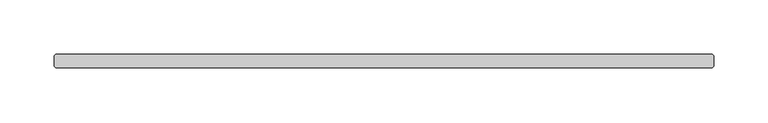
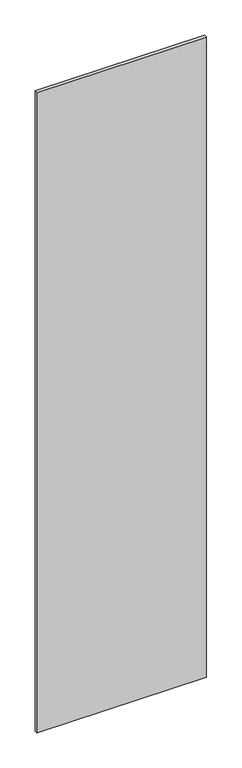
"""IFC4 building model written with IfcOpenShell, lengths in millimetres: plate geometry."""

import ifcopenshell
import ifcopenshell.guid

model = None  # the IFC model being written
_history = None  # IfcOwnerHistory: only IFC2X3 demands one
_inside = {}  # id of a spatial element -> (the spatial element, [elements in it])
_under = {}  # id of a project, library or spatial element -> (it, [spatial elements below it])
_declared = {}  # id of a project -> (the project, [libraries it declares])
_typed = {}  # id of a type object -> (the type object, [elements of that type])
_made_of = {}  # id of a material, layer set ... -> (it, [elements and type objects made of it])


def new_model(schema):
    """Start an empty IFC model of exactly this schema.

    Asked for "IFC4X3", IfcOpenShell would pick the latest addendum, in which some entities
    have other attributes; the version numbers below select the first issue.
    IFC2X3 requires an IfcOwnerHistory on every rooted entity: one is made here for all.
    """
    global model, _history
    if schema == "IFC4X3":
        model = ifcopenshell.file(schema_version=(4, 3, 0, 0))
    else:
        model = ifcopenshell.file(schema=schema)
    _inside.clear()
    _under.clear()
    _declared.clear()
    _typed.clear()
    _made_of.clear()
    _history = None
    if model.schema == "IFC2X3":
        org = make("IfcOrganization", Name="unknown")
        user = make(
            "IfcPersonAndOrganization",
            ThePerson=make("IfcPerson", FamilyName="unknown"),
            TheOrganization=org,
        )
        app = make(
            "IfcApplication",
            ApplicationDeveloper=org,
            Version="unknown",
            ApplicationFullName="unknown",
            ApplicationIdentifier="unknown",
        )
        _history = make(
            "IfcOwnerHistory",
            OwningUser=user,
            OwningApplication=app,
            ChangeAction="ADDED",
            CreationDate=0,
        )
    return model


def make(cls, **values):
    """One entity of the class cls with the attributes given. An attribute that is None is left unset."""
    return model.create_entity(
        cls, **{name: value for name, value in values.items() if value is not None}
    )


def rooted(cls, **values):
    """An entity with a GlobalId (a new one), such as an element, a storey or a relation."""
    return make(cls, GlobalId=ifcopenshell.guid.new(), OwnerHistory=_history, **values)


def si_unit(unit_type, name, prefix=None):
    """IfcSIUnit, for example si_unit("LENGTHUNIT", "METRE", prefix="MILLI")."""
    return make("IfcSIUnit", UnitType=unit_type, Prefix=prefix, Name=name)


def assignment(units):
    """IfcUnitAssignment: the units of a project."""
    return None if units is None else make("IfcUnitAssignment", Units=units)


def point(xyz):
    """IfcCartesianPoint."""
    return None if xyz is None else make("IfcCartesianPoint", Coordinates=xyz)


def direction(xyz):
    """IfcDirection."""
    return None if xyz is None else make("IfcDirection", DirectionRatios=xyz)


def frame(location, z_axis=None, x_axis=None):
    """IfcAxis2Placement3D, a coordinate frame: its origin and axes. An axis left out is left unset."""
    return make(
        "IfcAxis2Placement3D",
        Location=point(location),
        Axis=direction(z_axis),
        RefDirection=direction(x_axis),
    )


def origin():
    """The frame at (0, 0, 0) with its axes left unset."""
    return frame((0.0, 0.0, 0.0))


def origin_with_axes():
    """The frame at (0, 0, 0) with the z axis (0, 0, 1) and the x axis (1, 0, 0) written out."""
    return frame((0.0, 0.0, 0.0), z_axis=(0.0, 0.0, 1.0), x_axis=(1.0, 0.0, 0.0))


def place(relative_to, where):
    """IfcLocalPlacement: puts the frame where relative to a parent placement (None: the world)."""
    return make(
        "IfcLocalPlacement", PlacementRelTo=relative_to, RelativePlacement=where
    )


def context(
    kind, dimensions, precision=None, world=None, true_north=None, identifier=None
):
    """IfcGeometricRepresentationContext, for example the 3D "Model" context."""
    return make(
        "IfcGeometricRepresentationContext",
        ContextIdentifier=identifier,
        ContextType=kind,
        CoordinateSpaceDimension=dimensions,
        Precision=precision,
        WorldCoordinateSystem=world,
        TrueNorth=true_north,
    )


def project(units=None, contexts=None):
    """IfcProject with its units and contexts."""
    return rooted(
        "IfcProject",
        Name="project",
        RepresentationContexts=contexts,
        UnitsInContext=assignment(units),
    )


def spatial(cls, under=None, at=None, **own):
    """A site, building, storey or space (cls), placed at a placement, below another one or the project."""
    s = rooted(cls, ObjectPlacement=at, **own)
    if under is not None:
        _under.setdefault(under.id(), (under, []))[1].append(s)
    return s


def polyline(points):
    """IfcPolyline through the points."""
    return make("IfcPolyline", Points=[point(p) for p in points])


def outline(outer, holes=None, kind="AREA"):
    """IfcArbitraryClosedProfileDef: a profile drawn as a closed curve; with holes, ...WithVoids."""
    if holes is None:
        return make("IfcArbitraryClosedProfileDef", ProfileType=kind, OuterCurve=outer)
    return make(
        "IfcArbitraryProfileDefWithVoids",
        ProfileType=kind,
        OuterCurve=outer,
        InnerCurves=holes,
    )


def extrude(swept, where, along, depth):
    """IfcExtrudedAreaSolid: the profile swept, set in the frame where, extruded along a direction by depth."""
    return make(
        "IfcExtrudedAreaSolid",
        SweptArea=swept,
        Position=where,
        ExtrudedDirection=direction(along),
        Depth=depth,
    )


def shape(context_of_items, identifier, shape_type, items):
    """IfcShapeRepresentation: the items that make up one representation, for example the "Body"."""
    return make(
        "IfcShapeRepresentation",
        ContextOfItems=context_of_items,
        RepresentationIdentifier=identifier,
        RepresentationType=shape_type,
        Items=items,
    )


def source(mapping_origin, context_of_items, identifier, shape_type, items):
    """IfcRepresentationMap: a shape defined once, which mapped items show again and again."""
    return make(
        "IfcRepresentationMap",
        MappingOrigin=mapping_origin,
        MappedRepresentation=shape(context_of_items, identifier, shape_type, items),
    )


def transform(
    local_origin,
    x_axis=None,
    y_axis=None,
    z_axis=None,
    scale=None,
    scale2=None,
    scale3=None,
    uniform=True,
):
    """IfcCartesianTransformationOperator3D, or its non-uniform kind. x_axis, y_axis, z_axis: its Axis1, 2, 3."""
    if uniform:
        return make(
            "IfcCartesianTransformationOperator3D",
            Axis1=direction(x_axis),
            Axis2=direction(y_axis),
            LocalOrigin=point(local_origin),
            Scale=scale,
            Axis3=direction(z_axis),
        )
    return make(
        "IfcCartesianTransformationOperator3DnonUniform",
        Axis1=direction(x_axis),
        Axis2=direction(y_axis),
        LocalOrigin=point(local_origin),
        Scale=scale,
        Axis3=direction(z_axis),
        Scale2=scale2,
        Scale3=scale3,
    )


def mapped(mapping_source, mapping_target):
    """IfcMappedItem: shows the shape of a source again, moved by a transform."""
    return make(
        "IfcMappedItem", MappingSource=mapping_source, MappingTarget=mapping_target
    )


def made_of(thing, what):
    """Note that an element or type object is made of a material, layer set ...; save() writes the relation."""
    if what is not None:
        _made_of.setdefault(what.id(), (what, []))[1].append(thing)
    return thing


def element(
    cls,
    number,
    at=None,
    inside=None,
    cuts=None,
    type_object=None,
    material=None,
    context=None,
    identifier="Body",
    shape_type=None,
    held_by="IfcProductDefinitionShape",
    body=None,
    shapes=None,
    **own,
):
    """One element of the class cls, such as IfcWall. Its Tag is "e" and its number.

    at: its placement. inside: the storey or other place that contains it. cuts: it is an
    opening in that element (IfcRelVoidsElement). A single representation is given by context,
    identifier, shape_type and body (its items); several are given by shapes. held_by: the class
    of the entity that holds the representations. save() writes the other relations.
    """
    e = rooted(cls, Tag="e%d" % number, ObjectPlacement=at, **own)
    if body is not None:
        shapes = [shape(context, identifier, shape_type, body)]
    if shapes is not None:
        e.Representation = make(held_by, Representations=shapes)
    if inside is not None:
        _inside.setdefault(inside.id(), (inside, []))[1].append(e)
    if cuts is not None:
        rooted(
            "IfcRelVoidsElement", RelatingBuildingElement=cuts, RelatedOpeningElement=e
        )
    if type_object is not None:
        _typed.setdefault(type_object.id(), (type_object, []))[1].append(e)
    return made_of(e, material)


def aggregate(whole, parts):
    """IfcRelAggregates: a whole, such as a stair, and the parts it consists of."""
    return rooted("IfcRelAggregates", RelatingObject=whole, RelatedObjects=parts)


def save(model, path):
    """Write the relations noted so far, then the file.

    IfcRelAggregates (storeys below a building ...), IfcRelContainedInSpatialStructure (elements
    in a storey), IfcRelDefinesByType, IfcRelAssociatesMaterial and IfcRelDeclares: one each for
    every whole, place, type object, material and project.
    """
    for whole, parts in _under.values():
        aggregate(whole, parts)
    for where, things in _inside.values():
        rooted(
            "IfcRelContainedInSpatialStructure",
            RelatedElements=things,
            RelatingStructure=where,
        )
    for kind, things in _typed.values():
        rooted("IfcRelDefinesByType", RelatedObjects=things, RelatingType=kind)
    for what, things in _made_of.values():
        rooted("IfcRelAssociatesMaterial", RelatedObjects=things, RelatingMaterial=what)
    for by, libraries in _declared.values():
        rooted("IfcRelDeclares", RelatingContext=by, RelatedDefinitions=libraries)
    model.write(path)


def plate_14ca5dd0(model_context):
    return source(origin(), model_context, "Body", "SweptSolid", [
        extrude(outline(polyline([(302.815625, -6.35), (-302.815625, -6.35), (-304.403125, -4.7625), (-304.403125, 4.7625), (-302.815625, 6.35), (302.815625, 6.35), (304.403125, 4.7625), (304.403125, -4.7625), (302.815625, -6.35)])), origin_with_axes(), (0.0, 0.0, 1.0), 2427.1914267),
    ])


if __name__ == "__main__":
    model = new_model("IFC4")
    model_context = context("Model", 3, world=origin())
    ifc_project = project(units=[si_unit("LENGTHUNIT", "METRE", prefix="MILLI")], contexts=[model_context])
    site = spatial("IfcSite", under=ifc_project)
    building = spatial("IfcBuilding", under=site)
    placement = place(None, origin())
    plate_shape = plate_14ca5dd0(model_context)
    element("IfcPlate", 1, at=placement, inside=building, context=model_context, shape_type="MappedRepresentation", body=[
        mapped(plate_shape, transform((0.0, 0.0, 0.0), x_axis=(1.0, 0.0, 0.0), y_axis=(0.0, 1.0, 0.0), z_axis=(0.0, 0.0, 1.0))),
    ])
    save(model, "model.ifc")
